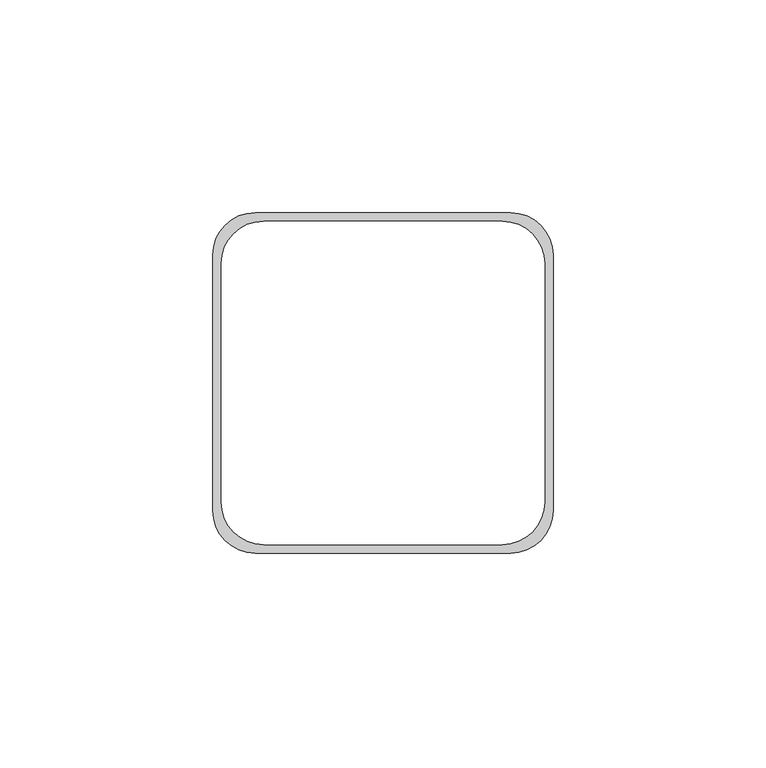
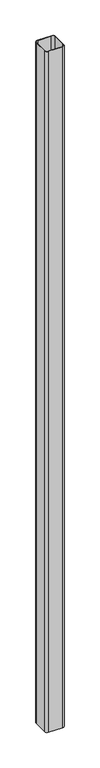
"""IFC4 building model written with IfcOpenShell, lengths in millimetres: proxy geometry."""

from ifc_helpers import new_model, si_unit, point, frame, frame_2d, origin, place, context, project, spatial, polyline, circle_curve, trimmed, segment, composite_curve, outline, extrude, source, transform, mapped, element, save


def generic_models_f9f09d7e(model_context):
    return source(origin(), model_context, "Body", "SweptSolid", [
        extrude(outline(composite_curve([segment(trimmed(circle_curve(frame_2d((-30.0, -30.0)), 10.0), [point((-30.0, -40.0))], [point((-40.0, -30.0))], False, "CARTESIAN"), True, "CONTINUOUS"), segment(polyline([(-40.0, -30.0), (-40.0, 30.0)]), True, "CONTINUOUS"), segment(trimmed(circle_curve(frame_2d((-30.0, 30.0)), 10.0), [point((-40.0, 30.0))], [point((-30.0, 40.0))], False, "CARTESIAN"), True, "CONTINUOUS"), segment(polyline([(-30.0, 40.0), (30.0, 40.0)]), True, "CONTINUOUS"), segment(trimmed(circle_curve(frame_2d((30.0, 30.0)), 10.0), [point((30.0, 40.0))], [point((40.0, 30.0))], False, "CARTESIAN"), True, "CONTINUOUS"), segment(polyline([(40.0, 30.0), (40.0, -30.0)]), True, "CONTINUOUS"), segment(trimmed(circle_curve(frame_2d((30.0, -30.0)), 10.0), [point((40.0, -30.0))], [point((30.0, -40.0))], False, "CARTESIAN"), True, "CONTINUOUS"), segment(polyline([(30.0, -40.0), (-30.0, -40.0)]), True, "CONTINUOUS")], self_intersect=False), holes=[composite_curve([segment(polyline([(-28.0, -38.0), (28.0, -38.0)]), True, "CONTINUOUS"), segment(trimmed(circle_curve(frame_2d((28.0, -28.0)), 10.0), [point((28.0, -38.0))], [point((38.0, -28.0))], True, "CARTESIAN"), True, "CONTINUOUS"), segment(polyline([(38.0, -28.0), (38.0, 28.0)]), True, "CONTINUOUS"), segment(trimmed(circle_curve(frame_2d((28.0, 28.0)), 10.0), [point((38.0, 28.0))], [point((28.0, 38.0))], True, "CARTESIAN"), True, "CONTINUOUS"), segment(polyline([(28.0, 38.0), (-28.0, 38.0)]), True, "CONTINUOUS"), segment(trimmed(circle_curve(frame_2d((-28.0, 28.0)), 10.0), [point((-28.0, 38.0))], [point((-38.0, 28.0))], True, "CARTESIAN"), True, "CONTINUOUS"), segment(polyline([(-38.0, 28.0), (-38.0, -28.0)]), True, "CONTINUOUS"), segment(trimmed(circle_curve(frame_2d((-28.0, -28.0)), 10.0), [point((-38.0, -28.0))], [point((-28.0, -38.0))], True, "CARTESIAN"), True, "CONTINUOUS")], self_intersect=False)]), frame((0.0, 0.0, -150.0), z_axis=(0.0, 0.0, 1.0), x_axis=(1.0, 0.0, 0.0)), (0.0, 0.0, 1.0), 3010.0),
    ])


if __name__ == "__main__":
    model = new_model("IFC4")
    model_context = context("Model", 3, world=origin())
    ifc_project = project(units=[si_unit("LENGTHUNIT", "METRE", prefix="MILLI")], contexts=[model_context])
    site = spatial("IfcSite", under=ifc_project)
    building = spatial("IfcBuilding", under=site)
    placement = place(None, origin())
    generic_models_shape = generic_models_f9f09d7e(model_context)
    element("IfcBuildingElementProxy", 1, Name="Generic Models", at=placement, inside=building, context=model_context, shape_type="MappedRepresentation", body=[
        mapped(generic_models_shape, transform((0.0, 0.0, 0.0), x_axis=(1.0, 0.0, 0.0), y_axis=(0.0, 1.0, 0.0), z_axis=(0.0, 0.0, 1.0))),
    ])
    save(model, "model.ifc")
